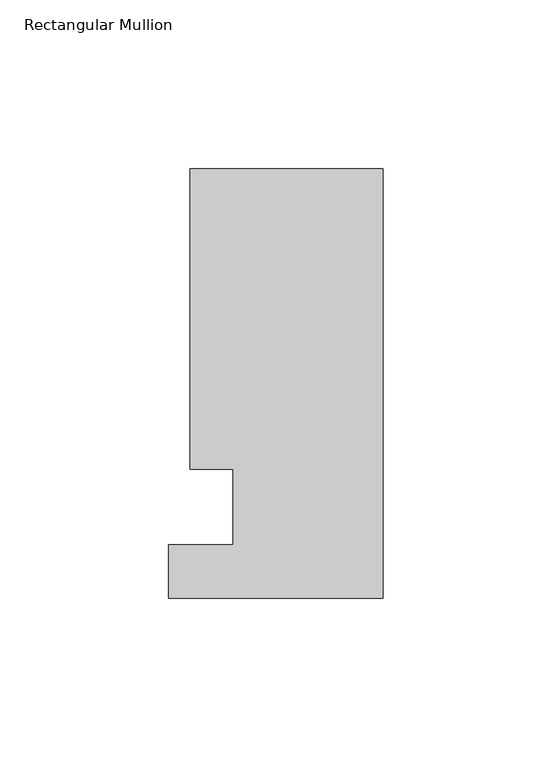
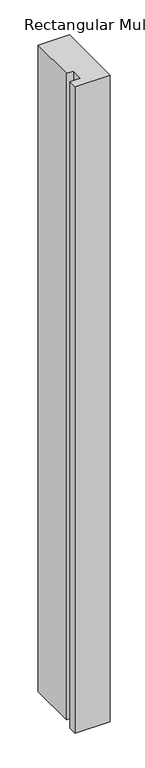
"""IFC4 building model written with IfcOpenShell, lengths in millimetres: member geometry, Rectangular Mullion."""

from ifc_helpers import new_model, si_unit, frame, origin, place, context, project, spatial, polyline, outline, extrude, source, transform, mapped, element, save


def rectangular_mullion_ec6c1b32(model_context):
    return source(origin(), model_context, "Body", "SweptSolid", [
        extrude(outline(polyline([(-57.15, 37.9870311), (-57.15, 126.9134813), (0.0, 126.9134813), (0.0, -0.3151187), (-63.5, -0.3151188), (-63.5, 15.5344812), (-44.45, 15.5344812), (-44.45, 37.9870311), (-57.15, 37.9870311)])), frame((0.0, 0.0, -1242.1071763), z_axis=(0.0, 0.0, 1.0), x_axis=(1.0, 0.0, 0.0)), (0.0, 0.0, 1.0), 1242.1071763),
    ])


if __name__ == "__main__":
    model = new_model("IFC4")
    model_context = context("Model", 3, world=origin())
    ifc_project = project(units=[si_unit("LENGTHUNIT", "METRE", prefix="MILLI")], contexts=[model_context])
    site = spatial("IfcSite", under=ifc_project)
    building = spatial("IfcBuilding", under=site)
    placement = place(None, origin())
    rectangular_mullion_shape = rectangular_mullion_ec6c1b32(model_context)
    element("IfcMember", 1, ObjectType="Rectangular Mullion", at=placement, inside=building, context=model_context, shape_type="MappedRepresentation", body=[
        mapped(rectangular_mullion_shape, transform((0.0, 0.0, 0.0), x_axis=(1.0, 0.0, 0.0), y_axis=(0.0, 1.0, 0.0), z_axis=(0.0, 0.0, 1.0))),
    ])
    save(model, "model.ifc")
